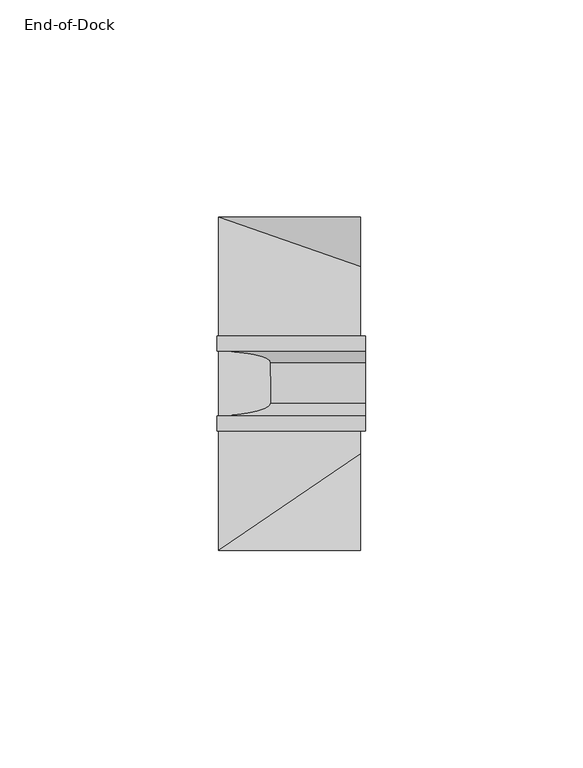
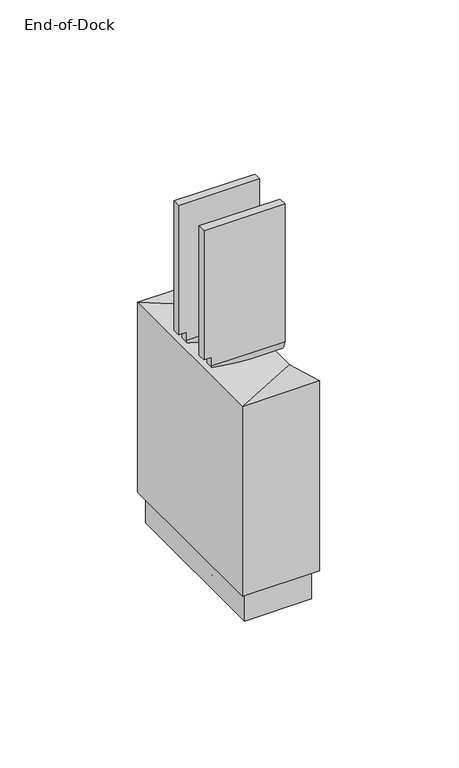
"""IFC4 building model written with IfcOpenShell, lengths in millimetres: furniture geometry, End-of-Dock."""

from ifc_helpers import new_model, si_unit, point, frame, origin, place, context, project, spatial, polyline, circle_curve, ellipse_curve, trimmed, outline, extrude, faceted_brep, source, transform, mapped, element, save
from ifc_brep_helpers import plane_surface, cylinder_surface, revolved_surface, advanced_brep


def end_of_dock_6d525ac9(model_context):
    return source(origin(), model_context, "Body", "SolidModel", [
        faceted_brep([(33.9358851, -0.39116, 15.4177998), (33.9358851, -0.39116, 100.1253806), (33.9358851, -11.7449601, 93.7767978), (33.9358851, -54.853842, 93.7767978), (33.9358851, -77.0813779, 100.1275249), (33.9358851, -77.0813779, 15.4177998), (1.2537048, -0.39116, 15.4177998), (1.2537048, -77.0813779, 15.4177998), (1.2537048, -77.0813779, 100.1268008), (1.2537048, -0.39116, 100.1268008)], [[[0, 1, 2, 3, 4, 5]], [[6, 7, 8, 9]], [[7, 6, 0, 5]], [[8, 7, 5, 4]], [[4, 3, 8]], [[9, 8, 3, 2]], [[2, 1, 9]], [[6, 9, 1, 0]]]),
        advanced_brep(
        [(35.0613319, -31.2419997, 162.1789998), (35.0613319, -31.2477157, 100.8825505), (35.0613319, -33.9050276, 98.3099059), (35.0613319, -43.1799997, 98.2979971), (35.0613319, -46.2216745, 100.8870832), (35.0613319, -46.227314, 162.1789998), (35.0613319, -49.6569981, 162.1789998), (35.0613319, -49.6513434, 100.6732064), (35.0613319, -43.7271502, 94.8765217), (35.0613319, -33.7557067, 94.873079), (35.0613319, -27.8066762, 100.6737242), (35.0613319, -27.8130007, 162.1789998), (0.8983328, -31.2419997, 162.1789998), (0.8983328, -27.8130007, 162.1789998), (0.8983328, -27.8070718, 104.5210002), (0.8983328, -31.2473764, 104.5210002), (0.8983328, -49.6569981, 162.1789998), (0.8983328, -46.227314, 162.1789998), (0.8983328, -46.2220089, 104.5210002), (0.8983328, -49.6516972, 104.5210002), (4.2003324, -31.2473764, 104.5210002), (4.2003324, -31.2477157, 100.8825505), (4.2003324, -33.9050276, 98.3099059), (4.2003324, -43.1799997, 98.2979971), (4.2003324, -46.2216745, 100.8870832), (4.2003324, -46.2220089, 104.5210002), (4.2003324, -49.6516972, 104.5210002), (4.2003324, -49.6513434, 100.6732064), (4.2003324, -43.7271502, 94.8765217), (4.2003324, -33.7557067, 94.873079), (4.2003324, -27.8066762, 100.6737242), (4.2003324, -27.8070718, 104.5210002)],
        [
            (0, 1),
            (1, 2, circle_curve(frame((35.0613319, -33.8219415, 100.8827905), z_axis=(-1.0, 0.0, 0.0), x_axis=(0.0, -1.0, 0.0)), 2.5742258)),
            (2, 3),
            (3, 4, circle_curve(frame((35.0613319, -43.18395, 101.3745888), z_axis=(-1.0, 0.0, 0.0), x_axis=(0.0, -1.0, 0.0)), 3.0765942)),
            (4, 5),
            (5, 6),
            (6, 7),
            (7, 8, circle_curve(frame((35.0613319, -43.7251036, 100.804209), z_axis=(1.0, 0.0, 0.0), x_axis=(0.0, -1.0, 0.0)), 5.9276876)),
            (8, 9),
            (9, 10, circle_curve(frame((35.0613319, -33.7536528, 100.8219009), z_axis=(1.0, 0.0, 0.0), x_axis=(0.0, -1.0, 0.0)), 5.9488223)),
            (10, 11),
            (11, 0),
            (12, 13),
            (13, 14),
            (14, 15),
            (15, 12),
            (16, 17),
            (17, 18),
            (18, 19),
            (19, 16),
            (0, 12),
            (15, 20),
            (20, 21),
            (21, 1),
            (21, 22, circle_curve(frame((4.2003324, -33.8219415, 100.8827905), z_axis=(-1.0, 0.0, 0.0), x_axis=(0.0, -1.0, 0.0)), 2.5742258)),
            (22, 2),
            (22, 23),
            (23, 3),
            (23, 24, circle_curve(frame((4.2003324, -43.18395, 101.3745888), z_axis=(-1.0, 0.0, 0.0), x_axis=(0.0, -1.0, 0.0)), 3.0765942)),
            (24, 4),
            (24, 25),
            (25, 18),
            (17, 5),
            (16, 6),
            (19, 26),
            (26, 27),
            (27, 7),
            (27, 28, circle_curve(frame((4.2003324, -43.7251036, 100.804209), z_axis=(1.0, 0.0, 0.0), x_axis=(0.0, -1.0, 0.0)), 5.9276876)),
            (28, 8),
            (28, 29),
            (29, 9),
            (29, 30, circle_curve(frame((4.2003324, -33.7536528, 100.8219009), z_axis=(1.0, 0.0, 0.0), x_axis=(0.0, -1.0, 0.0)), 5.9488223)),
            (30, 10),
            (30, 31),
            (31, 14),
            (13, 11),
            (20, 31),
            (26, 25),
        ],
        [
            plane_surface(frame((35.0613319, -31.2477157, 100.8825505), z_axis=(1.0000000000000002, 0.0, 0.0), x_axis=(0.0, -9.325088783057111e-05, -0.999999995652136))),
            plane_surface(frame((0.8983328, -31.2477157, 100.8825505), z_axis=(-1.0000000000000002, 0.0, 0.0), x_axis=(0.0, 9.325088783057111e-05, 0.999999995652136))),
            plane_surface(frame((35.0613319, -31.2419997, 162.1789998), z_axis=(0.0, -0.999999995652136, 9.325088783057111e-05), x_axis=(-1.0, 0.0, 0.0))),
            revolved_surface(polyline([(4.2003324, -36.3961673, 100.8827905), (35.0613319, -36.3961673, 100.8827905)]), (0.8983328, -33.8219415, 100.8827905), (-1.0, 0.0, 0.0)),
            plane_surface(frame((35.0613319, -33.9050276, 98.3099059), z_axis=(0.0, -0.0012839697511329534, 0.9999991757104993), x_axis=(-1.0, 0.0, 0.0))),
            revolved_surface(polyline([(4.2003324, -46.260544200000005, 101.3745888), (35.0613319, -46.260544200000005, 101.3745888)]), (0.8983328, -43.18395, 101.3745888), (-1.0, 0.0, 0.0)),
            plane_surface(frame((35.0613319, -46.2216745, 100.8870832), z_axis=(0.0, 0.9999999957670411, 9.201042292930949e-05), x_axis=(-1.0, 0.0, 0.0))),
            plane_surface(frame((35.0613319, -46.227314, 162.1789998), z_axis=(0.0, 0.0, 1.0), x_axis=(-1.0, 0.0, 0.0))),
            plane_surface(frame((35.0613319, -49.6569981, 162.1789998), z_axis=(0.0, -0.9999999957738316, -9.193659186683977e-05), x_axis=(-1.0, 0.0, 0.0))),
            cylinder_surface(frame((0.8983328, -43.7251036, 100.804209), z_axis=(1.0, 0.0, 0.0), x_axis=(0.0, -1.0, 0.0)), 5.9276876),
            plane_surface(frame((35.0613319, -43.7271502, 94.8765217), z_axis=(0.0, -0.00034525996520139846, -0.9999999403977765), x_axis=(-1.0, 0.0, 0.0))),
            cylinder_surface(frame((0.8983328, -33.7536528, 100.8219009), z_axis=(1.0, 0.0, 0.0), x_axis=(0.0, -1.0, 0.0)), 5.9488223),
            plane_surface(frame((35.0613319, -27.8066762, 100.6737242), z_axis=(0.0, 0.9999999947130426, 0.00010282954359174521), x_axis=(-1.0, 0.0, 0.0))),
            plane_surface(frame((35.0613319, -27.8130007, 162.1789998), z_axis=(0.0, 0.0, 1.0), x_axis=(-1.0, 0.0, 0.0))),
            plane_surface(frame((4.2003324, -27.8066762, 100.6737242), z_axis=(-1.0, 0.0, 0.0), x_axis=(0.0, 0.0, 1.0))),
            plane_surface(frame((4.2003324, -27.8066762, 104.5210002), z_axis=(0.0, 0.0, -1.0), x_axis=(-1.0, 0.0, 0.0))),
        ],
        [
            (0, [[1, 2, 3, 4, 5, 6, 7, 8, 9, 10, 11, 12]]),
            (1, [[13, 14, 15, 16]]),
            (1, [[17, 18, 19, 20]]),
            (2, [[-1, 21, -16, 22, 23, 24]]),
            (3, [[-2, -24, 25, 26]]),
            (4, [[-3, -26, 27, 28]]),
            (5, [[-4, -28, 29, 30]]),
            (6, [[-5, -30, 31, 32, -18, 33]]),
            (7, [[-6, -33, -17, 34]]),
            (8, [[-7, -34, -20, 35, 36, 37]]),
            (9, [[-8, -37, 38, 39]]),
            (10, [[-9, -39, 40, 41]]),
            (11, [[-10, -41, 42, 43]]),
            (12, [[-11, -43, 44, 45, -14, 46]]),
            (13, [[-12, -46, -13, -21]]),
            (14, [[47, -44, -42, -40, -38, -36, 48, -31, -29, -27, -25, -23]]),
            (15, [[-47, -22, -15, -45]]),
            (15, [[-48, -35, -19, -32]]),
        ],
    ),
        extrude(outline(polyline([(31.7768849, -74.919841), (3.412705, -74.919841), (3.412705, -2.54762), (31.7768849, -2.54762), (31.7768849, -74.919841)])), frame((0.0, 0.0, 2.3368), z_axis=(0.0, 0.0, 1.0), x_axis=(1.0, 0.0, 0.0)), (0.0, 0.0, 1.0), 13.0809999),
        advanced_brep(
        [(17.5907572, -28.8828191, 5.8805735), (17.5907572, -48.5871888, 5.8805735), (17.5907572, -38.7350039, 5.8805735), (17.5907572, -28.2949072, 5.2926616), (17.5907572, -49.1751007, 5.2926616), (17.5907572, -28.2949072, 3.1363919), (17.5907572, -49.1751007, 3.1363919), (17.5907572, -31.277792, 0.0), (17.5907572, -46.1922159, 0.0), (17.5907572, -38.7350039, 0.0)],
        [
            (0, 1, circle_curve(frame((17.5907572, -38.7350039, 5.8805735), z_axis=(0.0, 0.0, 1.0), x_axis=(0.0, -1.0, 0.0)), 9.8521848)),
            (1, 2),
            (2, 0),
            (1, 0, circle_curve(frame((17.5907572, -38.7350039, 5.8805735), z_axis=(0.0, 0.0, 1.0), x_axis=(0.0, -1.0, 0.0)), 9.8521848)),
            (3, 4, circle_curve(frame((17.5907572, -38.7350039, 5.2926616), z_axis=(0.0, 0.0, 1.0), x_axis=(0.0, -1.0, 0.0)), 10.4400968)),
            (4, 1),
            (0, 3),
            (4, 3, circle_curve(frame((17.5907572, -38.7350039, 5.2926616), z_axis=(0.0, 0.0, 1.0), x_axis=(0.0, -1.0, 0.0)), 10.4400968)),
            (5, 6, circle_curve(frame((17.5907572, -38.7350039, 3.1363919), z_axis=(0.0, 0.0, 1.0), x_axis=(0.0, -1.0, 0.0)), 10.4400968)),
            (6, 4),
            (3, 5),
            (6, 5, circle_curve(frame((17.5907572, -38.7350039, 3.1363919), z_axis=(0.0, 0.0, 1.0), x_axis=(0.0, -1.0, 0.0)), 10.4400968)),
            (7, 8, circle_curve(frame((17.5907572, -38.7350039, 0.0), z_axis=(0.0, 0.0, 1.0), x_axis=(0.0, -1.0, 0.0)), 7.457212)),
            (8, 6, circle_curve(frame((17.5907572, -46.0347589, 3.1363919), z_axis=(-1.0, 0.0, 0.0), x_axis=(0.0, -1.0, 0.0)), 3.1403418)),
            (5, 7, circle_curve(frame((17.5907572, -31.435249, 3.1363919), z_axis=(-1.0, 0.0, 0.0), x_axis=(0.0, 1.0, 0.0)), 3.1403418)),
            (8, 7, circle_curve(frame((17.5907572, -38.7350039, 0.0), z_axis=(0.0, 0.0, 1.0), x_axis=(0.0, -1.0, 0.0)), 7.457212)),
            (9, 8),
            (7, 9),
        ],
        [
            plane_surface(frame((17.5907572, -38.7350039, 5.8805735), z_axis=(0.0, 0.0, 1.0), x_axis=(0.0, -1.0, 0.0))),
            revolved_surface(polyline([(17.5907572, -48.5871888, 5.8805735), (17.5907572, -49.1751007, 5.2926616)]), (17.5907572, -38.7350039, 0.0), (0.0, 0.0, -1.0)),
            cylinder_surface(frame((17.5907572, -38.7350039, 0.0), z_axis=(0.0, 0.0, -1.0), x_axis=(0.0, -1.0, 0.0)), 10.4400968),
            revolved_surface(trimmed(ellipse_curve(frame((17.5907572, -46.0347589, 3.1363919), z_axis=(1.0, 0.0, 0.0), x_axis=(0.0, -1.0, 0.0)), 3.1403418, 3.1403418), [point((17.5907572, -49.1751007, 3.1363919))], [point((17.5907572, -46.1922159, 0.0))], True, "CARTESIAN"), (17.5907572, -38.7350039, 0.0), (0.0, 0.0, -1.0)),
            plane_surface(frame((17.5907572, -38.7350039, 0.0), z_axis=(0.0, 0.0, -1.0), x_axis=(0.0, -1.0, 0.0))),
        ],
        [
            (0, [[1, 2, 3]]),
            (0, [[4, -3, -2]]),
            (1, [[5, 6, -1, 7]]),
            (1, [[8, -7, -4, -6]]),
            (2, [[9, 10, -5, 11]]),
            (2, [[12, -11, -8, -10]]),
            (3, [[13, 14, -9, 15]]),
            (3, [[16, -15, -12, -14]]),
            (4, [[17, -13, 18]]),
            (4, [[-18, -16, -17]]),
        ],
    ),
    ])


if __name__ == "__main__":
    model = new_model("IFC4")
    model_context = context("Model", 3, world=origin())
    ifc_project = project(units=[si_unit("LENGTHUNIT", "METRE", prefix="MILLI")], contexts=[model_context])
    site = spatial("IfcSite", under=ifc_project)
    building = spatial("IfcBuilding", under=site)
    placement = place(None, origin())
    end_of_dock_shape = end_of_dock_6d525ac9(model_context)
    element("IfcFurniture", 1, ObjectType="End-of-Dock", at=placement, inside=building, context=model_context, shape_type="MappedRepresentation", body=[
        mapped(end_of_dock_shape, transform((0.0, 0.0, 0.0), x_axis=(1.0, 0.0, 0.0), y_axis=(0.0, 1.0, 0.0), z_axis=(0.0, 0.0, 1.0))),
    ])
    save(model, "model.ifc")
